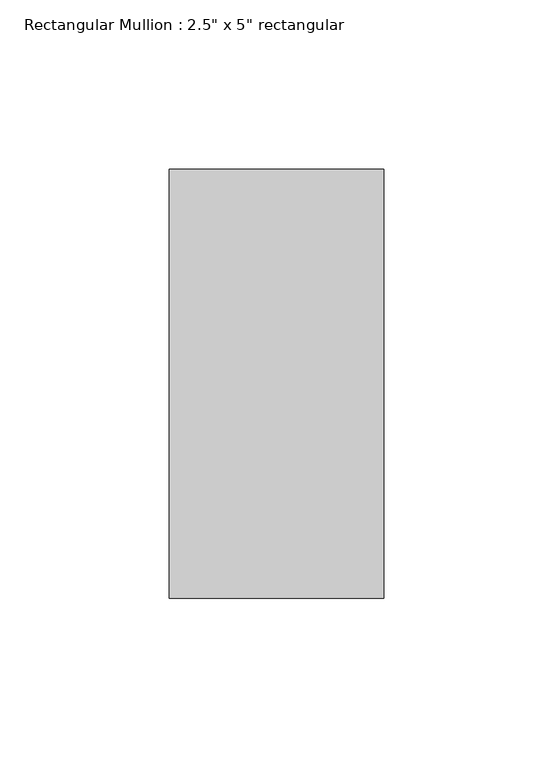
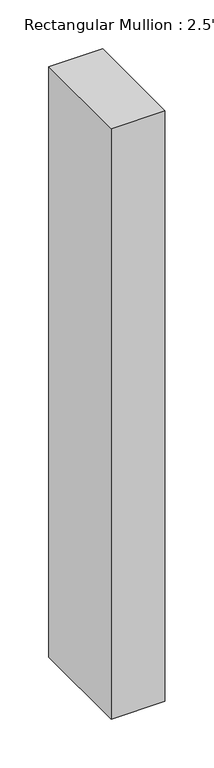
"""IFC4 building model written with IfcOpenShell, lengths in millimetres: member geometry."""

from ifc_helpers import new_model, si_unit, frame, origin, place, context, project, spatial, polyline, outline, extrude, source, transform, mapped, element, save


def member_cf283487(model_context):
    return source(origin(), model_context, "Body", "SweptSolid", [
        extrude(outline(polyline([(0.0, 63.5), (0.0, -63.5), (-63.5, -63.5), (-63.5, 63.5), (0.0, 63.5)])), frame((0.0, 0.0, -736.5), z_axis=(0.0, 0.0, 1.0), x_axis=(1.0, 0.0, 0.0)), (0.0, 0.0, 1.0), 736.5),
    ])


if __name__ == "__main__":
    model = new_model("IFC4")
    model_context = context("Model", 3, world=origin())
    ifc_project = project(units=[si_unit("LENGTHUNIT", "METRE", prefix="MILLI")], contexts=[model_context])
    site = spatial("IfcSite", under=ifc_project)
    building = spatial("IfcBuilding", under=site)
    placement = place(None, origin())
    member_shape = member_cf283487(model_context)
    element("IfcMember", 1, ObjectType="Rectangular Mullion : 2.5\" x 5\" rectangular", at=placement, inside=building, context=model_context, shape_type="MappedRepresentation", body=[
        mapped(member_shape, transform((0.0, 0.0, 0.0), x_axis=(1.0, 0.0, 0.0), y_axis=(0.0, 1.0, 0.0), z_axis=(0.0, 0.0, 1.0))),
    ])
    save(model, "model.ifc")
